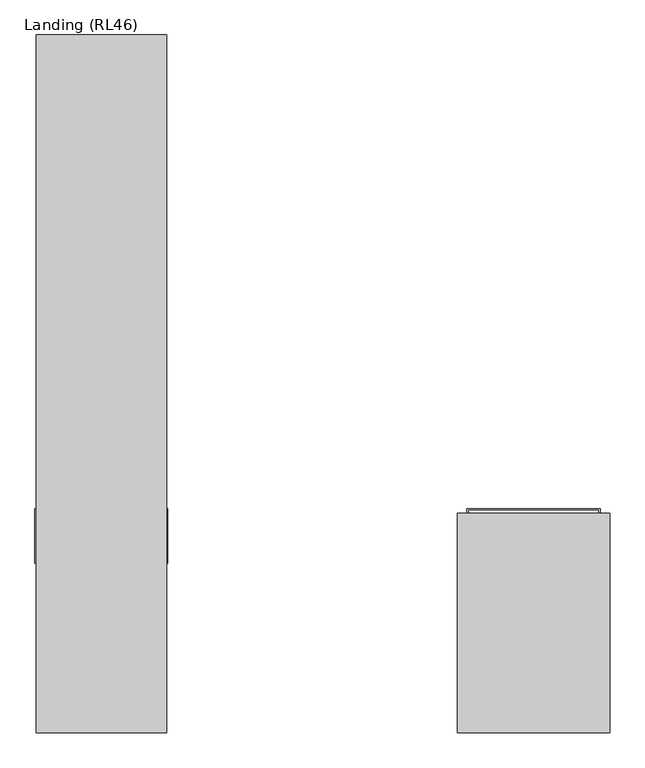
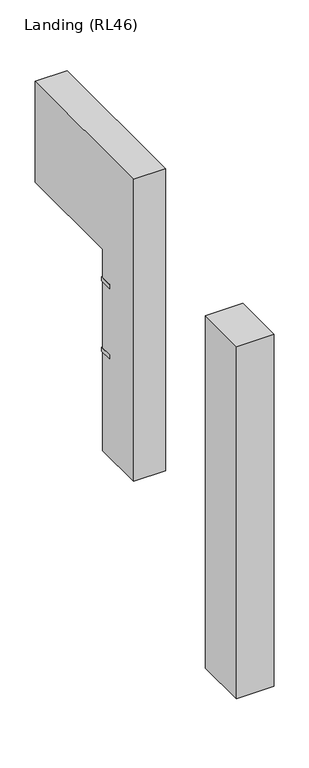
"""IFC4 building model written with IfcOpenShell, lengths in millimetres: proxy geometry, Landing (RL46)."""

from ifc_helpers import new_model, si_unit, frame, origin, origin_with_axes, place, context, project, spatial, polyline, outline, extrude, source, transform, mapped, element, save


def landing_rl46_d2f93747(model_context):
    return source(origin(), model_context, "Body", "SweptSolid", [
        extrude(outline(polyline([(200.0, 9000.0), (200.0, 5000.0), (-809.5, 5000.0), (-809.5, 11000.0), (2400.0, 11000.0), (2400.0, 9000.0), (200.0, 9000.0)])), frame((-2289.5, 0.0, 0.0), z_axis=(1.0, 0.0, 0.0), x_axis=(0.0, 1.0, 0.0)), (0.0, 0.0, 1.0), 600.0),
        extrude(outline(polyline([(350.5, 200.0), (350.5, -809.5), (-350.5, -809.5), (-350.5, 200.0), (350.5, 200.0)])), origin_with_axes(), (0.0, 0.0, 1.0), 7000.0),
        extrude(outline(polyline([(-1683.5, 222.0), (-1683.5, -29.0), (-1689.5, -29.0), (-1689.5, 217.0), (-2289.5, 217.0), (-2289.5, -29.0), (-2295.5, -29.0), (-2295.5, 222.0), (-1683.5, 222.0)])), frame((0.0, 0.0, 6960.0), z_axis=(0.0, 0.0, 1.0), x_axis=(1.0, 0.0, 0.0)), (0.0, 0.0, 1.0), 80.0),
        extrude(outline(polyline([(-1683.5, 222.0), (-1683.5, -29.0), (-1689.5, -29.0), (-1689.5, 217.0), (-2289.5, 217.0), (-2289.5, -29.0), (-2295.5, -29.0), (-2295.5, 222.0), (-1683.5, 222.0)])), frame((0.0, 0.0, 8360.0), z_axis=(0.0, 0.0, 1.0), x_axis=(1.0, 0.0, 0.0)), (0.0, 0.0, 1.0), 80.0),
        extrude(outline(polyline([(306.5, 222.0), (306.5, -29.0), (300.5, -29.0), (300.5, 217.0), (-300.5, 217.0), (-300.5, -29.0), (-306.5, -29.0), (-306.5, 222.0), (306.5, 222.0)])), frame((0.0, 0.0, 2460.0), z_axis=(0.0, 0.0, 1.0), x_axis=(1.0, 0.0, 0.0)), (0.0, 0.0, 1.0), 80.0),
        extrude(outline(polyline([(306.5, 222.0), (306.5, -29.0), (300.5, -29.0), (300.5, 217.0), (-300.5, 217.0), (-300.5, -29.0), (-306.5, -29.0), (-306.5, 222.0), (306.5, 222.0)])), frame((0.0, 0.0, 4360.0), z_axis=(0.0, 0.0, 1.0), x_axis=(1.0, 0.0, 0.0)), (0.0, 0.0, 1.0), 80.0),
    ])


if __name__ == "__main__":
    model = new_model("IFC4")
    model_context = context("Model", 3, world=origin())
    ifc_project = project(units=[si_unit("LENGTHUNIT", "METRE", prefix="MILLI")], contexts=[model_context])
    site = spatial("IfcSite", under=ifc_project)
    building = spatial("IfcBuilding", under=site)
    placement = place(None, origin())
    landing_rl46_shape = landing_rl46_d2f93747(model_context)
    element("IfcBuildingElementProxy", 1, Name="Landing (RL46)", ObjectType="Landing (RL46)", at=placement, inside=building, context=model_context, shape_type="MappedRepresentation", body=[
        mapped(landing_rl46_shape, transform((0.0, 0.0, 0.0), x_axis=(1.0, 0.0, 0.0), y_axis=(0.0, 1.0, 0.0), z_axis=(0.0, 0.0, 1.0))),
    ])
    save(model, "model.ifc")
